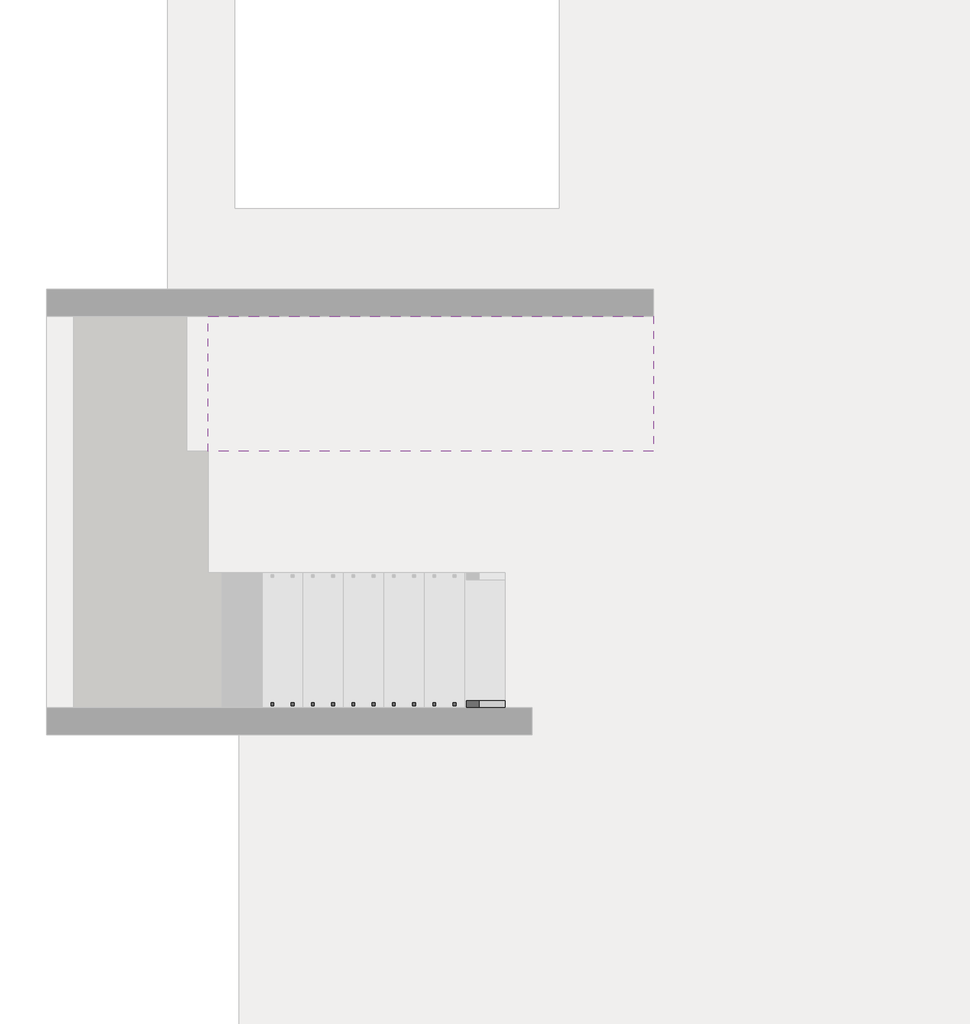
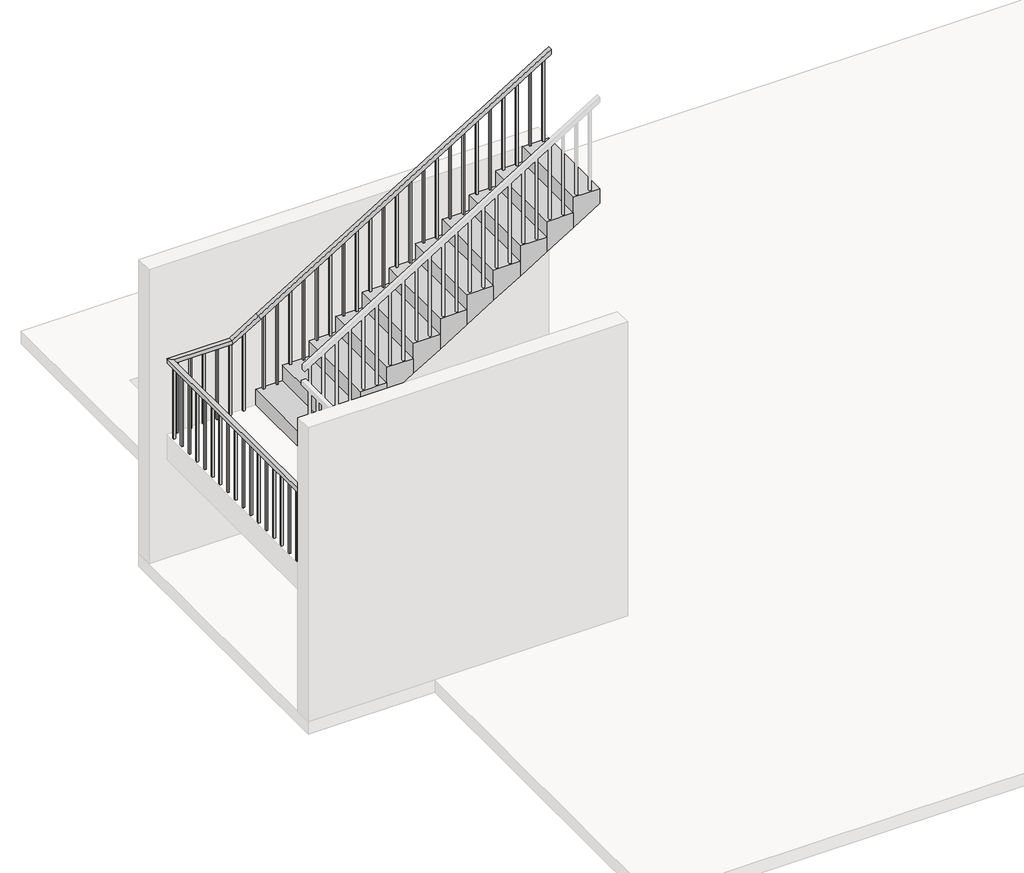
# One storey, part 2 of 2: 1 railing, 1 stair flight.
"""IFC4 building model written with IfcOpenShell, lengths in millimetres."""

from ifc_helpers import new_model, si_unit, frame, origin, place, context, project, spatial, polyline, outline, extrude, faceted_brep, element, save

model = new_model("IFC4")

# Units and contexts
model_context = context("Model", 3, world=origin())
ifc_project = project(units=[si_unit("LENGTHUNIT", "METRE", prefix="MILLI")], contexts=[model_context])

# Site, building, storey
site = spatial("IfcSite", under=ifc_project)
building = spatial("IfcBuilding", under=site)
storey = spatial("IfcBuildingStorey", under=building, Elevation=0.0)

# Railing
placement = place(None, origin())
element("IfcRailing", 1, ObjectType="900mm", at=placement, inside=storey, context=model_context, shape_type="SolidModel", body=[
    faceted_brep([(2250.0, -6796.4939341, 1084.2105263), (2250.0, -6796.4939341, 1025.5368719), (2250.0, -6746.4939341, 1025.5368719), (2250.0, -6746.4939341, 1084.2105263), (150.0, -6796.4939341, 2373.6842105), (135.8743343, -6796.4939341, 2323.6842105), (135.8743343, -6746.4939341, 2323.6842105), (150.0, -6746.4939341, 2373.6842105), (-949.6, -6796.4939341, 2373.6842105), (-949.6, -6796.4939341, 2323.6842105), (-899.6, -6746.4939341, 2323.6842105), (-899.6, -6746.4939341, 2373.6842105), (-949.6, -3897.293934, 2373.6842105), (-949.6, -3897.293934, 2323.6842105), (-899.6, -3947.293934, 2323.6842105), (-899.6, -3947.293934, 2373.6842105), (-250.0, -3897.293934, 2373.6842105), (-235.8743342, -3897.293934, 2323.6842105), (-235.8743342, -3947.293934, 2323.6842105), (-250.0, -3947.293934, 2373.6842105), (50.0, -3897.293934, 2557.8947368), (76.1631517, -3897.293934, 2515.2861756), (76.1631517, -3947.293934, 2515.2861756), (50.0, -3947.293934, 2557.8947368), (3350.0, -3897.293934, 4584.2105263), (3350.0, -3947.293934, 4584.2105263), (3350.0, -3947.293934, 4525.5368719), (3350.0, -3897.293934, 4525.5368719)], [[[0, 1, 2, 3]], [[1, 0, 4, 5]], [[2, 1, 5, 6]], [[3, 2, 6, 7]], [[0, 3, 7, 4]], [[5, 4, 8, 9]], [[6, 5, 9, 10]], [[7, 6, 10, 11]], [[4, 7, 11, 8]], [[9, 8, 12, 13]], [[10, 9, 13, 14]], [[11, 10, 14, 15]], [[8, 11, 15, 12]], [[13, 12, 16, 17]], [[14, 13, 17, 18]], [[15, 14, 18, 19]], [[12, 15, 19, 16]], [[17, 16, 20, 21]], [[18, 17, 21, 22]], [[19, 18, 22, 23]], [[16, 19, 23, 20]], [[24, 25, 26, 27]], [[21, 20, 24, 27]], [[22, 21, 27, 26]], [[23, 22, 26, 25]], [[20, 23, 25, 24]]]),
    extrude(outline(polyline([(3500.0, 3265.0), (3500.0, 3285.0), (4485.6245912, 3285.0), (4473.3438894, 3265.0), (3500.0, 3265.0)])), frame((0.0, -3932.293934, 0.0), z_axis=(0.0, 1.0, 0.0), x_axis=(0.0, 0.0, 1.0)), (0.0, 0.0, 1.0), 20.0),
    extrude(outline(polyline([(3500.0, 3115.0), (3500.0, 3135.0), (4393.519328, 3135.0), (4381.2386263, 3115.0), (3500.0, 3115.0)])), frame((0.0, -3932.293934, 0.0), z_axis=(0.0, 1.0, 0.0), x_axis=(0.0, 0.0, 1.0)), (0.0, 0.0, 1.0), 20.0),
    extrude(outline(polyline([(3315.7894737, 2965.0), (3315.7894737, 2985.0), (4301.4140649, 2985.0), (4289.1333631, 2965.0), (3315.7894737, 2965.0)])), frame((0.0, -3932.293934, 0.0), z_axis=(0.0, 1.0, 0.0), x_axis=(0.0, 0.0, 1.0)), (0.0, 0.0, 1.0), 20.0),
    extrude(outline(polyline([(3315.7894737, 2815.0), (3315.7894737, 2835.0), (4209.3088017, 2835.0), (4197.0281, 2815.0), (3315.7894737, 2815.0)])), frame((0.0, -3932.293934, 0.0), z_axis=(0.0, 1.0, 0.0), x_axis=(0.0, 0.0, 1.0)), (0.0, 0.0, 1.0), 20.0),
    extrude(outline(polyline([(3131.5789474, 2665.0), (3131.5789474, 2685.0), (4117.2035386, 2685.0), (4104.9228368, 2665.0), (3131.5789474, 2665.0)])), frame((0.0, -3932.293934, 0.0), z_axis=(0.0, 1.0, 0.0), x_axis=(0.0, 0.0, 1.0)), (0.0, 0.0, 1.0), 20.0),
    extrude(outline(polyline([(3131.5789474, 2515.0), (3131.5789474, 2535.0), (4025.0982754, 2535.0), (4012.8175737, 2515.0), (3131.5789474, 2515.0)])), frame((0.0, -3932.293934, 0.0), z_axis=(0.0, 1.0, 0.0), x_axis=(0.0, 0.0, 1.0)), (0.0, 0.0, 1.0), 20.0),
    extrude(outline(polyline([(2947.3684211, 2365.0), (2947.3684211, 2385.0), (3932.9930123, 2385.0), (3920.7123105, 2365.0), (2947.3684211, 2365.0)])), frame((0.0, -3932.293934, 0.0), z_axis=(0.0, 1.0, 0.0), x_axis=(0.0, 0.0, 1.0)), (0.0, 0.0, 1.0), 20.0),
    extrude(outline(polyline([(2947.3684211, 2215.0), (2947.3684211, 2235.0), (3840.8877491, 2235.0), (3828.6070473, 2215.0), (2947.3684211, 2215.0)])), frame((0.0, -3932.293934, 0.0), z_axis=(0.0, 1.0, 0.0), x_axis=(0.0, 0.0, 1.0)), (0.0, 0.0, 1.0), 20.0),
    extrude(outline(polyline([(2763.1578947, 2065.0), (2763.1578947, 2085.0), (3748.7824859, 2085.0), (3736.5017842, 2065.0), (2763.1578947, 2065.0)])), frame((0.0, -3932.293934, 0.0), z_axis=(0.0, 1.0, 0.0), x_axis=(0.0, 0.0, 1.0)), (0.0, 0.0, 1.0), 20.0),
    extrude(outline(polyline([(2763.1578947, 1915.0), (2763.1578947, 1935.0), (3656.6772228, 1935.0), (3644.396521, 1915.0), (2763.1578947, 1915.0)])), frame((0.0, -3932.293934, 0.0), z_axis=(0.0, 1.0, 0.0), x_axis=(0.0, 0.0, 1.0)), (0.0, 0.0, 1.0), 20.0),
    extrude(outline(polyline([(2578.9473684, 1765.0), (2578.9473684, 1785.0), (3564.5719596, 1785.0), (3552.2912579, 1765.0), (2578.9473684, 1765.0)])), frame((0.0, -3932.293934, 0.0), z_axis=(0.0, 1.0, 0.0), x_axis=(0.0, 0.0, 1.0)), (0.0, 0.0, 1.0), 20.0),
    extrude(outline(polyline([(2578.9473684, 1615.0), (2578.9473684, 1635.0), (3472.4666965, 1635.0), (3460.1859947, 1615.0), (2578.9473684, 1615.0)])), frame((0.0, -3932.293934, 0.0), z_axis=(0.0, 1.0, 0.0), x_axis=(0.0, 0.0, 1.0)), (0.0, 0.0, 1.0), 20.0),
    extrude(outline(polyline([(2394.7368421, 1465.0), (2394.7368421, 1485.0), (3380.3614333, 1485.0), (3368.0807316, 1465.0), (2394.7368421, 1465.0)])), frame((0.0, -3932.293934, 0.0), z_axis=(0.0, 1.0, 0.0), x_axis=(0.0, 0.0, 1.0)), (0.0, 0.0, 1.0), 20.0),
    extrude(outline(polyline([(2394.7368421, 1315.0), (2394.7368421, 1335.0), (3288.2561701, 1335.0), (3275.9754684, 1315.0), (2394.7368421, 1315.0)])), frame((0.0, -3932.293934, 0.0), z_axis=(0.0, 1.0, 0.0), x_axis=(0.0, 0.0, 1.0)), (0.0, 0.0, 1.0), 20.0),
    extrude(outline(polyline([(2210.5263158, 1165.0), (2210.5263158, 1185.0), (3196.150907, 1185.0), (3183.8702052, 1165.0), (2210.5263158, 1165.0)])), frame((0.0, -3932.293934, 0.0), z_axis=(0.0, 1.0, 0.0), x_axis=(0.0, 0.0, 1.0)), (0.0, 0.0, 1.0), 20.0),
    extrude(outline(polyline([(2210.5263158, 1015.0), (2210.5263158, 1035.0), (3104.0456438, 1035.0), (3091.7649421, 1015.0), (2210.5263158, 1015.0)])), frame((0.0, -3932.293934, 0.0), z_axis=(0.0, 1.0, 0.0), x_axis=(0.0, 0.0, 1.0)), (0.0, 0.0, 1.0), 20.0),
    extrude(outline(polyline([(2026.3157895, 865.0), (2026.3157895, 885.0), (3011.9403807, 885.0), (2999.6596789, 865.0), (2026.3157895, 865.0)])), frame((0.0, -3932.293934, 0.0), z_axis=(0.0, 1.0, 0.0), x_axis=(0.0, 0.0, 1.0)), (0.0, 0.0, 1.0), 20.0),
    extrude(outline(polyline([(2026.3157895, 715.0), (2026.3157895, 735.0), (2919.8351175, 735.0), (2907.5544158, 715.0), (2026.3157895, 715.0)])), frame((0.0, -3932.293934, 0.0), z_axis=(0.0, 1.0, 0.0), x_axis=(0.0, 0.0, 1.0)), (0.0, 0.0, 1.0), 20.0),
    extrude(outline(polyline([(1842.1052632, 565.0), (1842.1052632, 585.0), (2827.7298544, 585.0), (2815.4491526, 565.0), (1842.1052632, 565.0)])), frame((0.0, -3932.293934, 0.0), z_axis=(0.0, 1.0, 0.0), x_axis=(0.0, 0.0, 1.0)), (0.0, 0.0, 1.0), 20.0),
    extrude(outline(polyline([(1842.1052632, 415.0), (1842.1052632, 435.0), (2735.6245912, 435.0), (2723.3438894, 415.0), (1842.1052632, 415.0)])), frame((0.0, -3932.293934, 0.0), z_axis=(0.0, 1.0, 0.0), x_axis=(0.0, 0.0, 1.0)), (0.0, 0.0, 1.0), 20.0),
    extrude(outline(polyline([(1657.8947368, 265.0), (1657.8947368, 285.0), (2643.519328, 285.0), (2631.2386263, 265.0), (1657.8947368, 265.0)])), frame((0.0, -3932.293934, 0.0), z_axis=(0.0, 1.0, 0.0), x_axis=(0.0, 0.0, 1.0)), (0.0, 0.0, 1.0), 20.0),
    extrude(outline(polyline([(1657.8947368, 115.0), (1657.8947368, 135.0), (2551.4140649, 135.0), (2539.1333631, 115.0), (1657.8947368, 115.0)])), frame((0.0, -3932.293934, 0.0), z_axis=(0.0, 1.0, 0.0), x_axis=(0.0, 0.0, 1.0)), (0.0, 0.0, 1.0), 20.0),
    extrude(outline(polyline([(1473.6842105, -109.6), (1473.6842105, -89.6), (2413.5017842, -89.6), (2401.2210824, -109.6), (1473.6842105, -109.6)])), frame((0.0, -3932.293934, 0.0), z_axis=(0.0, 1.0, 0.0), x_axis=(0.0, 0.0, 1.0)), (0.0, 0.0, 1.0), 20.0),
    extrude(outline(polyline([(1473.6842105, -259.6), (1473.6842105, -239.6), (2321.396521, -239.6), (2309.1158193, -259.6), (1473.6842105, -259.6)])), frame((0.0, -3932.293934, 0.0), z_axis=(0.0, 1.0, 0.0), x_axis=(0.0, 0.0, 1.0)), (0.0, 0.0, 1.0), 20.0),
    extrude(outline(polyline([(-409.6, -3912.293934), (-389.6, -3912.293934), (-389.6, -3932.293934), (-409.6, -3932.293934), (-409.6, -3912.293934)])), frame((0.0, 0.0, 1473.6842105), z_axis=(0.0, 0.0, 1.0), x_axis=(1.0, 0.0, 0.0)), (0.0, 0.0, 1.0), 850.0),
    extrude(outline(polyline([(-559.6, -3912.293934), (-539.6, -3912.293934), (-539.6, -3932.293934), (-559.6, -3932.293934), (-559.6, -3912.293934)])), frame((0.0, 0.0, 1473.6842105), z_axis=(0.0, 0.0, 1.0), x_axis=(1.0, 0.0, 0.0)), (0.0, 0.0, 1.0), 850.0),
    extrude(outline(polyline([(-709.6, -3912.293934), (-689.6, -3912.293934), (-689.6, -3932.293934), (-709.6, -3932.293934), (-709.6, -3912.293934)])), frame((0.0, 0.0, 1473.6842105), z_axis=(0.0, 0.0, 1.0), x_axis=(1.0, 0.0, 0.0)), (0.0, 0.0, 1.0), 850.0),
    extrude(outline(polyline([(-859.6, -3912.293934), (-839.6, -3912.293934), (-839.6, -3932.293934), (-859.6, -3932.293934), (-859.6, -3912.293934)])), frame((0.0, 0.0, 1473.6842105), z_axis=(0.0, 0.0, 1.0), x_axis=(1.0, 0.0, 0.0)), (0.0, 0.0, 1.0), 850.0),
    extrude(outline(polyline([(-934.6, -4006.4939341), (-934.6, -3986.4939341), (-914.6, -3986.4939341), (-914.6, -4006.4939341), (-934.6, -4006.4939341)])), frame((0.0, 0.0, 1473.6842105), z_axis=(0.0, 0.0, 1.0), x_axis=(1.0, 0.0, 0.0)), (0.0, 0.0, 1.0), 850.0),
    extrude(outline(polyline([(-934.6, -4156.4939341), (-934.6, -4136.4939341), (-914.6, -4136.4939341), (-914.6, -4156.4939341), (-934.6, -4156.4939341)])), frame((0.0, 0.0, 1473.6842105), z_axis=(0.0, 0.0, 1.0), x_axis=(1.0, 0.0, 0.0)), (0.0, 0.0, 1.0), 850.0),
    extrude(outline(polyline([(-934.6, -4306.4939341), (-934.6, -4286.4939341), (-914.6, -4286.4939341), (-914.6, -4306.4939341), (-934.6, -4306.4939341)])), frame((0.0, 0.0, 1473.6842105), z_axis=(0.0, 0.0, 1.0), x_axis=(1.0, 0.0, 0.0)), (0.0, 0.0, 1.0), 850.0),
    extrude(outline(polyline([(-934.6, -4456.4939341), (-934.6, -4436.4939341), (-914.6, -4436.4939341), (-914.6, -4456.4939341), (-934.6, -4456.4939341)])), frame((0.0, 0.0, 1473.6842105), z_axis=(0.0, 0.0, 1.0), x_axis=(1.0, 0.0, 0.0)), (0.0, 0.0, 1.0), 850.0),
    extrude(outline(polyline([(-934.6, -4606.4939341), (-934.6, -4586.4939341), (-914.6, -4586.4939341), (-914.6, -4606.4939341), (-934.6, -4606.4939341)])), frame((0.0, 0.0, 1473.6842105), z_axis=(0.0, 0.0, 1.0), x_axis=(1.0, 0.0, 0.0)), (0.0, 0.0, 1.0), 850.0),
    extrude(outline(polyline([(-934.6, -4756.4939341), (-934.6, -4736.4939341), (-914.6, -4736.4939341), (-914.6, -4756.4939341), (-934.6, -4756.4939341)])), frame((0.0, 0.0, 1473.6842105), z_axis=(0.0, 0.0, 1.0), x_axis=(1.0, 0.0, 0.0)), (0.0, 0.0, 1.0), 850.0),
    extrude(outline(polyline([(-934.6, -4906.4939341), (-934.6, -4886.4939341), (-914.6, -4886.4939341), (-914.6, -4906.4939341), (-934.6, -4906.4939341)])), frame((0.0, 0.0, 1473.6842105), z_axis=(0.0, 0.0, 1.0), x_axis=(1.0, 0.0, 0.0)), (0.0, 0.0, 1.0), 850.0),
    extrude(outline(polyline([(-934.6, -5056.4939341), (-934.6, -5036.4939341), (-914.6, -5036.4939341), (-914.6, -5056.4939341), (-934.6, -5056.4939341)])), frame((0.0, 0.0, 1473.6842105), z_axis=(0.0, 0.0, 1.0), x_axis=(1.0, 0.0, 0.0)), (0.0, 0.0, 1.0), 850.0),
    extrude(outline(polyline([(-934.6, -5206.4939341), (-934.6, -5186.4939341), (-914.6, -5186.4939341), (-914.6, -5206.4939341), (-934.6, -5206.4939341)])), frame((0.0, 0.0, 1473.6842105), z_axis=(0.0, 0.0, 1.0), x_axis=(1.0, 0.0, 0.0)), (0.0, 0.0, 1.0), 850.0),
    extrude(outline(polyline([(-934.6, -5356.4939341), (-934.6, -5336.4939341), (-914.6, -5336.4939341), (-914.6, -5356.4939341), (-934.6, -5356.4939341)])), frame((0.0, 0.0, 1473.6842105), z_axis=(0.0, 0.0, 1.0), x_axis=(1.0, 0.0, 0.0)), (0.0, 0.0, 1.0), 850.0),
    extrude(outline(polyline([(-934.6, -5506.4939341), (-934.6, -5486.4939341), (-914.6, -5486.4939341), (-914.6, -5506.4939341), (-934.6, -5506.4939341)])), frame((0.0, 0.0, 1473.6842105), z_axis=(0.0, 0.0, 1.0), x_axis=(1.0, 0.0, 0.0)), (0.0, 0.0, 1.0), 850.0),
    extrude(outline(polyline([(-934.6, -5656.4939341), (-934.6, -5636.4939341), (-914.6, -5636.4939341), (-914.6, -5656.4939341), (-934.6, -5656.4939341)])), frame((0.0, 0.0, 1473.6842105), z_axis=(0.0, 0.0, 1.0), x_axis=(1.0, 0.0, 0.0)), (0.0, 0.0, 1.0), 850.0),
    extrude(outline(polyline([(-934.6, -5806.4939341), (-934.6, -5786.4939341), (-914.6, -5786.4939341), (-914.6, -5806.4939341), (-934.6, -5806.4939341)])), frame((0.0, 0.0, 1473.6842105), z_axis=(0.0, 0.0, 1.0), x_axis=(1.0, 0.0, 0.0)), (0.0, 0.0, 1.0), 850.0),
    extrude(outline(polyline([(-934.6, -5956.4939341), (-934.6, -5936.4939341), (-914.6, -5936.4939341), (-914.6, -5956.4939341), (-934.6, -5956.4939341)])), frame((0.0, 0.0, 1473.6842105), z_axis=(0.0, 0.0, 1.0), x_axis=(1.0, 0.0, 0.0)), (0.0, 0.0, 1.0), 850.0),
    extrude(outline(polyline([(-934.6, -6106.4939341), (-934.6, -6086.4939341), (-914.6, -6086.4939341), (-914.6, -6106.4939341), (-934.6, -6106.4939341)])), frame((0.0, 0.0, 1473.6842105), z_axis=(0.0, 0.0, 1.0), x_axis=(1.0, 0.0, 0.0)), (0.0, 0.0, 1.0), 850.0),
    extrude(outline(polyline([(-934.6, -6256.4939341), (-934.6, -6236.4939341), (-914.6, -6236.4939341), (-914.6, -6256.4939341), (-934.6, -6256.4939341)])), frame((0.0, 0.0, 1473.6842105), z_axis=(0.0, 0.0, 1.0), x_axis=(1.0, 0.0, 0.0)), (0.0, 0.0, 1.0), 850.0),
    extrude(outline(polyline([(-934.6, -6406.4939341), (-934.6, -6386.4939341), (-914.6, -6386.4939341), (-914.6, -6406.4939341), (-934.6, -6406.4939341)])), frame((0.0, 0.0, 1473.6842105), z_axis=(0.0, 0.0, 1.0), x_axis=(1.0, 0.0, 0.0)), (0.0, 0.0, 1.0), 850.0),
    extrude(outline(polyline([(-934.6, -6556.4939341), (-934.6, -6536.4939341), (-914.6, -6536.4939341), (-914.6, -6556.4939341), (-934.6, -6556.4939341)])), frame((0.0, 0.0, 1473.6842105), z_axis=(0.0, 0.0, 1.0), x_axis=(1.0, 0.0, 0.0)), (0.0, 0.0, 1.0), 850.0),
    extrude(outline(polyline([(-934.6, -6706.4939341), (-934.6, -6686.4939341), (-914.6, -6686.4939341), (-914.6, -6706.4939341), (-934.6, -6706.4939341)])), frame((0.0, 0.0, 1473.6842105), z_axis=(0.0, 0.0, 1.0), x_axis=(1.0, 0.0, 0.0)), (0.0, 0.0, 1.0), 850.0),
    extrude(outline(polyline([(-815.0, -6781.4939341), (-835.0, -6781.4939341), (-835.0, -6761.4939341), (-815.0, -6761.4939341), (-815.0, -6781.4939341)])), frame((0.0, 0.0, 1473.6842105), z_axis=(0.0, 0.0, 1.0), x_axis=(1.0, 0.0, 0.0)), (0.0, 0.0, 1.0), 850.0),
    extrude(outline(polyline([(-665.0, -6781.4939341), (-685.0, -6781.4939341), (-685.0, -6761.4939341), (-665.0, -6761.4939341), (-665.0, -6781.4939341)])), frame((0.0, 0.0, 1473.6842105), z_axis=(0.0, 0.0, 1.0), x_axis=(1.0, 0.0, 0.0)), (0.0, 0.0, 1.0), 850.0),
    extrude(outline(polyline([(-515.0, -6781.4939341), (-535.0, -6781.4939341), (-535.0, -6761.4939341), (-515.0, -6761.4939341), (-515.0, -6781.4939341)])), frame((0.0, 0.0, 1473.6842105), z_axis=(0.0, 0.0, 1.0), x_axis=(1.0, 0.0, 0.0)), (0.0, 0.0, 1.0), 850.0),
    extrude(outline(polyline([(-365.0, -6781.4939341), (-385.0, -6781.4939341), (-385.0, -6761.4939341), (-365.0, -6761.4939341), (-365.0, -6781.4939341)])), frame((0.0, 0.0, 1473.6842105), z_axis=(0.0, 0.0, 1.0), x_axis=(1.0, 0.0, 0.0)), (0.0, 0.0, 1.0), 850.0),
    extrude(outline(polyline([(-215.0, -6781.4939341), (-235.0, -6781.4939341), (-235.0, -6761.4939341), (-215.0, -6761.4939341), (-215.0, -6781.4939341)])), frame((0.0, 0.0, 1473.6842105), z_axis=(0.0, 0.0, 1.0), x_axis=(1.0, 0.0, 0.0)), (0.0, 0.0, 1.0), 850.0),
    extrude(outline(polyline([(-65.0, -6781.4939341), (-85.0, -6781.4939341), (-85.0, -6761.4939341), (-65.0, -6761.4939341), (-65.0, -6781.4939341)])), frame((0.0, 0.0, 1473.6842105), z_axis=(0.0, 0.0, 1.0), x_axis=(1.0, 0.0, 0.0)), (0.0, 0.0, 1.0), 850.0),
    extrude(outline(polyline([(85.0, -6781.4939341), (65.0, -6781.4939341), (65.0, -6761.4939341), (85.0, -6761.4939341), (85.0, -6781.4939341)])), frame((0.0, 0.0, 1473.6842105), z_axis=(0.0, 0.0, 1.0), x_axis=(1.0, 0.0, 0.0)), (0.0, 0.0, 1.0), 850.0),
    extrude(outline(polyline([(2262.8175737, 235.0), (2275.0982754, 215.0), (1289.4736842, 215.0), (1289.4736842, 235.0), (2262.8175737, 235.0)])), frame((0.0, -6781.4939341, 0.0), z_axis=(0.0, 1.0, 0.0), x_axis=(0.0, 0.0, 1.0)), (0.0, 0.0, 1.0), 20.0),
    extrude(outline(polyline([(2170.7123105, 385.0), (2182.9930123, 365.0), (1289.4736842, 365.0), (1289.4736842, 385.0), (2170.7123105, 385.0)])), frame((0.0, -6781.4939341, 0.0), z_axis=(0.0, 1.0, 0.0), x_axis=(0.0, 0.0, 1.0)), (0.0, 0.0, 1.0), 20.0),
    extrude(outline(polyline([(2078.6070473, 535.0), (2090.8877491, 515.0), (1105.2631579, 515.0), (1105.2631579, 535.0), (2078.6070473, 535.0)])), frame((0.0, -6781.4939341, 0.0), z_axis=(0.0, 1.0, 0.0), x_axis=(0.0, 0.0, 1.0)), (0.0, 0.0, 1.0), 20.0),
    extrude(outline(polyline([(1986.5017842, 685.0), (1998.7824859, 665.0), (1105.2631579, 665.0), (1105.2631579, 685.0), (1986.5017842, 685.0)])), frame((0.0, -6781.4939341, 0.0), z_axis=(0.0, 1.0, 0.0), x_axis=(0.0, 0.0, 1.0)), (0.0, 0.0, 1.0), 20.0),
    extrude(outline(polyline([(1894.396521, 835.0), (1906.6772228, 815.0), (921.0526316, 815.0), (921.0526316, 835.0), (1894.396521, 835.0)])), frame((0.0, -6781.4939341, 0.0), z_axis=(0.0, 1.0, 0.0), x_axis=(0.0, 0.0, 1.0)), (0.0, 0.0, 1.0), 20.0),
    extrude(outline(polyline([(1802.2912579, 985.0), (1814.5719596, 965.0), (921.0526316, 965.0), (921.0526316, 985.0), (1802.2912579, 985.0)])), frame((0.0, -6781.4939341, 0.0), z_axis=(0.0, 1.0, 0.0), x_axis=(0.0, 0.0, 1.0)), (0.0, 0.0, 1.0), 20.0),
    extrude(outline(polyline([(1710.1859947, 1135.0), (1722.4666965, 1115.0), (736.8421053, 1115.0), (736.8421053, 1135.0), (1710.1859947, 1135.0)])), frame((0.0, -6781.4939341, 0.0), z_axis=(0.0, 1.0, 0.0), x_axis=(0.0, 0.0, 1.0)), (0.0, 0.0, 1.0), 20.0),
    extrude(outline(polyline([(1618.0807316, 1285.0), (1630.3614333, 1265.0), (736.8421053, 1265.0), (736.8421053, 1285.0), (1618.0807316, 1285.0)])), frame((0.0, -6781.4939341, 0.0), z_axis=(0.0, 1.0, 0.0), x_axis=(0.0, 0.0, 1.0)), (0.0, 0.0, 1.0), 20.0),
    extrude(outline(polyline([(1525.9754684, 1435.0), (1538.2561701, 1415.0), (552.6315789, 1415.0), (552.6315789, 1435.0), (1525.9754684, 1435.0)])), frame((0.0, -6781.4939341, 0.0), z_axis=(0.0, 1.0, 0.0), x_axis=(0.0, 0.0, 1.0)), (0.0, 0.0, 1.0), 20.0),
    extrude(outline(polyline([(1433.8702052, 1585.0), (1446.150907, 1565.0), (552.6315789, 1565.0), (552.6315789, 1585.0), (1433.8702052, 1585.0)])), frame((0.0, -6781.4939341, 0.0), z_axis=(0.0, 1.0, 0.0), x_axis=(0.0, 0.0, 1.0)), (0.0, 0.0, 1.0), 20.0),
    extrude(outline(polyline([(1341.7649421, 1735.0), (1354.0456438, 1715.0), (368.4210526, 1715.0), (368.4210526, 1735.0), (1341.7649421, 1735.0)])), frame((0.0, -6781.4939341, 0.0), z_axis=(0.0, 1.0, 0.0), x_axis=(0.0, 0.0, 1.0)), (0.0, 0.0, 1.0), 20.0),
    extrude(outline(polyline([(1249.6596789, 1885.0), (1261.9403807, 1865.0), (368.4210526, 1865.0), (368.4210526, 1885.0), (1249.6596789, 1885.0)])), frame((0.0, -6781.4939341, 0.0), z_axis=(0.0, 1.0, 0.0), x_axis=(0.0, 0.0, 1.0)), (0.0, 0.0, 1.0), 20.0),
    extrude(outline(polyline([(1157.5544158, 2035.0), (1169.8351175, 2015.0), (184.2105263, 2015.0), (184.2105263, 2035.0), (1157.5544158, 2035.0)])), frame((0.0, -6781.4939341, 0.0), z_axis=(0.0, 1.0, 0.0), x_axis=(0.0, 0.0, 1.0)), (0.0, 0.0, 1.0), 20.0),
    extrude(outline(polyline([(1065.4491526, 2185.0), (1077.7298544, 2165.0), (184.2105263, 2165.0), (184.2105263, 2185.0), (1065.4491526, 2185.0)])), frame((0.0, -6781.4939341, 0.0), z_axis=(0.0, 1.0, 0.0), x_axis=(0.0, 0.0, 1.0)), (0.0, 0.0, 1.0), 20.0),
])

# Stair flight
element("IfcStairFlight", 2, ObjectType="Nez de marche 25 mm", at=placement, inside=storey, context=model_context, shape_type="Brep", body=[
    faceted_brep([(350.0, -3896.893934, 1657.8947368), (50.0, -3896.893934, 1657.8947368), (50.0, -4896.893934, 1657.8947368), (350.0, -4896.893934, 1657.8947368), (350.0, -3896.893934, 1481.8737736), (50.0, -3896.893934, 1297.6632473), (50.0, -3896.893934, 1473.6842105), (50.0, -4896.893934, 1297.6632473), (350.0, -4896.893934, 1481.8737736), (650.0, -3896.893934, 1842.1052632), (350.0, -3896.893934, 1842.1052632), (350.0, -4896.893934, 1842.1052632), (650.0, -4896.893934, 1842.1052632), (650.0, -3896.893934, 1666.0842999), (650.0, -4896.893934, 1666.0842999), (950.0, -3896.893934, 2026.3157895), (650.0, -3896.893934, 2026.3157895), (650.0, -4896.893934, 2026.3157895), (950.0, -4896.893934, 2026.3157895), (950.0, -3896.893934, 1850.2948262), (950.0, -4896.893934, 1850.2948262), (1250.0, -3896.893934, 2210.5263158), (950.0, -3896.893934, 2210.5263158), (950.0, -4896.893934, 2210.5263158), (1250.0, -4896.893934, 2210.5263158), (1250.0, -3896.893934, 2034.5053525), (1250.0, -4896.893934, 2034.5053525), (1550.0, -3896.893934, 2394.7368421), (1250.0, -3896.893934, 2394.7368421), (1250.0, -4896.893934, 2394.7368421), (1550.0, -4896.893934, 2394.7368421), (1550.0, -3896.893934, 2218.7158789), (1550.0, -4896.893934, 2218.7158789), (1850.0, -3896.893934, 2578.9473684), (1550.0, -3896.893934, 2578.9473684), (1550.0, -4896.893934, 2578.9473684), (1850.0, -4896.893934, 2578.9473684), (1850.0, -3896.893934, 2402.9264052), (1850.0, -4896.893934, 2402.9264052), (2150.0, -3896.893934, 2763.1578947), (1850.0, -3896.893934, 2763.1578947), (1850.0, -4896.893934, 2763.1578947), (2150.0, -4896.893934, 2763.1578947), (2150.0, -3896.893934, 2587.1369315), (2150.0, -4896.893934, 2587.1369315), (2450.0, -3896.893934, 2947.3684211), (2150.0, -3896.893934, 2947.3684211), (2150.0, -4896.893934, 2947.3684211), (2450.0, -4896.893934, 2947.3684211), (2450.0, -3896.893934, 2771.3474578), (2450.0, -4896.893934, 2771.3474578), (2750.0, -3896.893934, 3131.5789474), (2450.0, -3896.893934, 3131.5789474), (2450.0, -4896.893934, 3131.5789474), (2750.0, -4896.893934, 3131.5789474), (2750.0, -3896.893934, 2955.5579841), (2750.0, -4896.893934, 2955.5579841), (3050.0, -3896.893934, 3315.7894737), (2750.0, -3896.893934, 3315.7894737), (2750.0, -4896.893934, 3315.7894737), (3050.0, -4896.893934, 3315.7894737), (3050.0, -3896.893934, 3139.7685104), (3050.0, -4896.893934, 3139.7685104), (3350.0, -3896.893934, 3323.9790368), (3350.0, -4896.893934, 3323.9790368), (3350.0, -3896.893934, 3500.0), (3050.0, -3896.893934, 3500.0), (3050.0, -4896.893934, 3500.0), (3350.0, -4896.893934, 3500.0)], [[[0, 1, 2, 3]], [[1, 0, 4, 5, 6]], [[2, 1, 6, 5, 7]], [[3, 2, 7, 8]], [[9, 10, 11, 12]], [[10, 9, 13, 4, 0]], [[11, 10, 0, 3]], [[12, 11, 3, 8, 14]], [[15, 16, 17, 18]], [[16, 15, 19, 13, 9]], [[17, 16, 9, 12]], [[18, 17, 12, 14, 20]], [[21, 22, 23, 24]], [[22, 21, 25, 19, 15]], [[23, 22, 15, 18]], [[24, 23, 18, 20, 26]], [[27, 28, 29, 30]], [[28, 27, 31, 25, 21]], [[29, 28, 21, 24]], [[30, 29, 24, 26, 32]], [[33, 34, 35, 36]], [[34, 33, 37, 31, 27]], [[35, 34, 27, 30]], [[36, 35, 30, 32, 38]], [[39, 40, 41, 42]], [[40, 39, 43, 37, 33]], [[41, 40, 33, 36]], [[42, 41, 36, 38, 44]], [[45, 46, 47, 48]], [[46, 45, 49, 43, 39]], [[47, 46, 39, 42]], [[48, 47, 42, 44, 50]], [[51, 52, 53, 54]], [[52, 51, 55, 49, 45]], [[53, 52, 45, 48]], [[54, 53, 48, 50, 56]], [[57, 58, 59, 60]], [[58, 57, 61, 55, 51]], [[59, 58, 51, 54]], [[60, 59, 54, 56, 62]], [[5, 4, 13, 19, 25, 31, 37, 43, 49, 55, 61, 63, 64, 62, 56, 50, 44, 38, 32, 26, 20, 14, 8, 7]], [[65, 66, 67, 68]], [[66, 65, 63, 61, 57]], [[67, 66, 57, 60]], [[68, 67, 60, 62, 64]], [[65, 68, 64, 63]]]),
])

save(model, "model.ifc")
